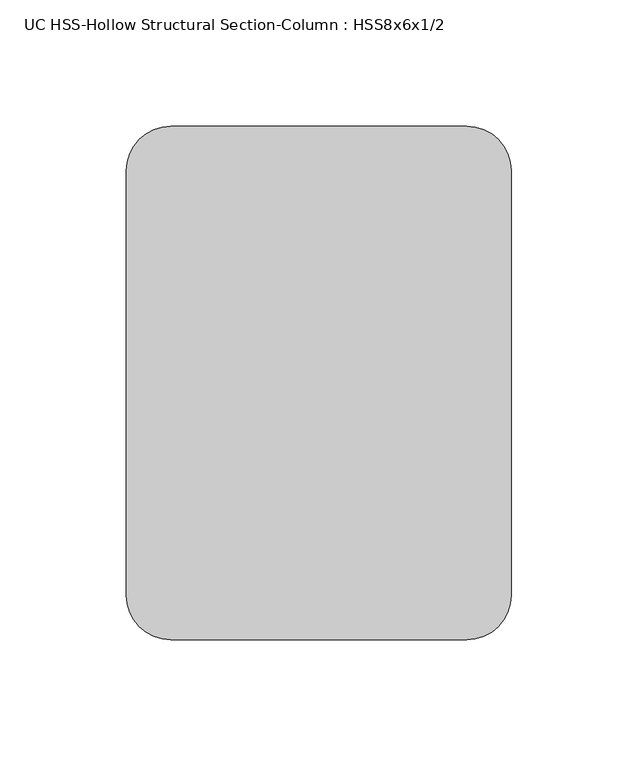
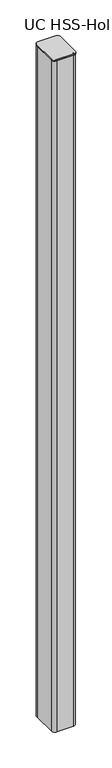
"""IFC4 building model written with IfcOpenShell, lengths in millimetres: column geometry, UC HSS-Hollow Structural Section-Column : HSS8x6x1/2."""

import ifcopenshell
import ifcopenshell.guid

model = None  # the IFC model being written
_history = None  # IfcOwnerHistory: only IFC2X3 demands one
_inside = {}  # id of a spatial element -> (the spatial element, [elements in it])
_under = {}  # id of a project, library or spatial element -> (it, [spatial elements below it])
_declared = {}  # id of a project -> (the project, [libraries it declares])
_typed = {}  # id of a type object -> (the type object, [elements of that type])
_made_of = {}  # id of a material, layer set ... -> (it, [elements and type objects made of it])


def new_model(schema):
    """Start an empty IFC model of exactly this schema.

    Asked for "IFC4X3", IfcOpenShell would pick the latest addendum, in which some entities
    have other attributes; the version numbers below select the first issue.
    IFC2X3 requires an IfcOwnerHistory on every rooted entity: one is made here for all.
    """
    global model, _history
    if schema == "IFC4X3":
        model = ifcopenshell.file(schema_version=(4, 3, 0, 0))
    else:
        model = ifcopenshell.file(schema=schema)
    _inside.clear()
    _under.clear()
    _declared.clear()
    _typed.clear()
    _made_of.clear()
    _history = None
    if model.schema == "IFC2X3":
        org = make("IfcOrganization", Name="unknown")
        user = make(
            "IfcPersonAndOrganization",
            ThePerson=make("IfcPerson", FamilyName="unknown"),
            TheOrganization=org,
        )
        app = make(
            "IfcApplication",
            ApplicationDeveloper=org,
            Version="unknown",
            ApplicationFullName="unknown",
            ApplicationIdentifier="unknown",
        )
        _history = make(
            "IfcOwnerHistory",
            OwningUser=user,
            OwningApplication=app,
            ChangeAction="ADDED",
            CreationDate=0,
        )
    return model


def make(cls, **values):
    """One entity of the class cls with the attributes given. An attribute that is None is left unset."""
    return model.create_entity(
        cls, **{name: value for name, value in values.items() if value is not None}
    )


def rooted(cls, **values):
    """An entity with a GlobalId (a new one), such as an element, a storey or a relation."""
    return make(cls, GlobalId=ifcopenshell.guid.new(), OwnerHistory=_history, **values)


def si_unit(unit_type, name, prefix=None):
    """IfcSIUnit, for example si_unit("LENGTHUNIT", "METRE", prefix="MILLI")."""
    return make("IfcSIUnit", UnitType=unit_type, Prefix=prefix, Name=name)


def assignment(units):
    """IfcUnitAssignment: the units of a project."""
    return None if units is None else make("IfcUnitAssignment", Units=units)


def point(xyz):
    """IfcCartesianPoint."""
    return None if xyz is None else make("IfcCartesianPoint", Coordinates=xyz)


def direction(xyz):
    """IfcDirection."""
    return None if xyz is None else make("IfcDirection", DirectionRatios=xyz)


def frame(location, z_axis=None, x_axis=None):
    """IfcAxis2Placement3D, a coordinate frame: its origin and axes. An axis left out is left unset."""
    return make(
        "IfcAxis2Placement3D",
        Location=point(location),
        Axis=direction(z_axis),
        RefDirection=direction(x_axis),
    )


def frame_2d(location, x_axis=None):
    """IfcAxis2Placement2D, a coordinate frame in the plane: its origin and x axis."""
    return make(
        "IfcAxis2Placement2D", Location=point(location), RefDirection=direction(x_axis)
    )


def origin():
    """The frame at (0, 0, 0) with its axes left unset."""
    return frame((0.0, 0.0, 0.0))


def place(relative_to, where):
    """IfcLocalPlacement: puts the frame where relative to a parent placement (None: the world)."""
    return make(
        "IfcLocalPlacement", PlacementRelTo=relative_to, RelativePlacement=where
    )


def context(
    kind, dimensions, precision=None, world=None, true_north=None, identifier=None
):
    """IfcGeometricRepresentationContext, for example the 3D "Model" context."""
    return make(
        "IfcGeometricRepresentationContext",
        ContextIdentifier=identifier,
        ContextType=kind,
        CoordinateSpaceDimension=dimensions,
        Precision=precision,
        WorldCoordinateSystem=world,
        TrueNorth=true_north,
    )


def project(units=None, contexts=None):
    """IfcProject with its units and contexts."""
    return rooted(
        "IfcProject",
        Name="project",
        RepresentationContexts=contexts,
        UnitsInContext=assignment(units),
    )


def spatial(cls, under=None, at=None, **own):
    """A site, building, storey or space (cls), placed at a placement, below another one or the project."""
    s = rooted(cls, ObjectPlacement=at, **own)
    if under is not None:
        _under.setdefault(under.id(), (under, []))[1].append(s)
    return s


def polyline(points):
    """IfcPolyline through the points."""
    return make("IfcPolyline", Points=[point(p) for p in points])


def circle_curve(where, radius):
    """IfcCircle in the frame where."""
    return make("IfcCircle", Position=where, Radius=radius)


def trimmed(basis, trim1, trim2, sense, master):
    """IfcTrimmedCurve: the piece of a basis curve between two trims."""
    return make(
        "IfcTrimmedCurve",
        BasisCurve=basis,
        Trim1=trim1,
        Trim2=trim2,
        SenseAgreement=sense,
        MasterRepresentation=master,
    )


def segment(curve, same_sense, transition):
    """IfcCompositeCurveSegment."""
    return make(
        "IfcCompositeCurveSegment",
        Transition=transition,
        SameSense=same_sense,
        ParentCurve=curve,
    )


def composite_curve(segments, self_intersect=None):
    """IfcCompositeCurve: segments joined end to end."""
    return make("IfcCompositeCurve", Segments=segments, SelfIntersect=self_intersect)


def outline(outer, holes=None, kind="AREA"):
    """IfcArbitraryClosedProfileDef: a profile drawn as a closed curve; with holes, ...WithVoids."""
    if holes is None:
        return make("IfcArbitraryClosedProfileDef", ProfileType=kind, OuterCurve=outer)
    return make(
        "IfcArbitraryProfileDefWithVoids",
        ProfileType=kind,
        OuterCurve=outer,
        InnerCurves=holes,
    )


def extrude(swept, where, along, depth):
    """IfcExtrudedAreaSolid: the profile swept, set in the frame where, extruded along a direction by depth."""
    return make(
        "IfcExtrudedAreaSolid",
        SweptArea=swept,
        Position=where,
        ExtrudedDirection=direction(along),
        Depth=depth,
    )


def shape(context_of_items, identifier, shape_type, items):
    """IfcShapeRepresentation: the items that make up one representation, for example the "Body"."""
    return make(
        "IfcShapeRepresentation",
        ContextOfItems=context_of_items,
        RepresentationIdentifier=identifier,
        RepresentationType=shape_type,
        Items=items,
    )


def source(mapping_origin, context_of_items, identifier, shape_type, items):
    """IfcRepresentationMap: a shape defined once, which mapped items show again and again."""
    return make(
        "IfcRepresentationMap",
        MappingOrigin=mapping_origin,
        MappedRepresentation=shape(context_of_items, identifier, shape_type, items),
    )


def transform(
    local_origin,
    x_axis=None,
    y_axis=None,
    z_axis=None,
    scale=None,
    scale2=None,
    scale3=None,
    uniform=True,
):
    """IfcCartesianTransformationOperator3D, or its non-uniform kind. x_axis, y_axis, z_axis: its Axis1, 2, 3."""
    if uniform:
        return make(
            "IfcCartesianTransformationOperator3D",
            Axis1=direction(x_axis),
            Axis2=direction(y_axis),
            LocalOrigin=point(local_origin),
            Scale=scale,
            Axis3=direction(z_axis),
        )
    return make(
        "IfcCartesianTransformationOperator3DnonUniform",
        Axis1=direction(x_axis),
        Axis2=direction(y_axis),
        LocalOrigin=point(local_origin),
        Scale=scale,
        Axis3=direction(z_axis),
        Scale2=scale2,
        Scale3=scale3,
    )


def mapped(mapping_source, mapping_target):
    """IfcMappedItem: shows the shape of a source again, moved by a transform."""
    return make(
        "IfcMappedItem", MappingSource=mapping_source, MappingTarget=mapping_target
    )


def made_of(thing, what):
    """Note that an element or type object is made of a material, layer set ...; save() writes the relation."""
    if what is not None:
        _made_of.setdefault(what.id(), (what, []))[1].append(thing)
    return thing


def element(
    cls,
    number,
    at=None,
    inside=None,
    cuts=None,
    type_object=None,
    material=None,
    context=None,
    identifier="Body",
    shape_type=None,
    held_by="IfcProductDefinitionShape",
    body=None,
    shapes=None,
    **own,
):
    """One element of the class cls, such as IfcWall. Its Tag is "e" and its number.

    at: its placement. inside: the storey or other place that contains it. cuts: it is an
    opening in that element (IfcRelVoidsElement). A single representation is given by context,
    identifier, shape_type and body (its items); several are given by shapes. held_by: the class
    of the entity that holds the representations. save() writes the other relations.
    """
    e = rooted(cls, Tag="e%d" % number, ObjectPlacement=at, **own)
    if body is not None:
        shapes = [shape(context, identifier, shape_type, body)]
    if shapes is not None:
        e.Representation = make(held_by, Representations=shapes)
    if inside is not None:
        _inside.setdefault(inside.id(), (inside, []))[1].append(e)
    if cuts is not None:
        rooted(
            "IfcRelVoidsElement", RelatingBuildingElement=cuts, RelatedOpeningElement=e
        )
    if type_object is not None:
        _typed.setdefault(type_object.id(), (type_object, []))[1].append(e)
    return made_of(e, material)


def aggregate(whole, parts):
    """IfcRelAggregates: a whole, such as a stair, and the parts it consists of."""
    return rooted("IfcRelAggregates", RelatingObject=whole, RelatedObjects=parts)


def save(model, path):
    """Write the relations noted so far, then the file.

    IfcRelAggregates (storeys below a building ...), IfcRelContainedInSpatialStructure (elements
    in a storey), IfcRelDefinesByType, IfcRelAssociatesMaterial and IfcRelDeclares: one each for
    every whole, place, type object, material and project.
    """
    for whole, parts in _under.values():
        aggregate(whole, parts)
    for where, things in _inside.values():
        rooted(
            "IfcRelContainedInSpatialStructure",
            RelatedElements=things,
            RelatingStructure=where,
        )
    for kind, things in _typed.values():
        rooted("IfcRelDefinesByType", RelatedObjects=things, RelatingType=kind)
    for what, things in _made_of.values():
        rooted("IfcRelAssociatesMaterial", RelatedObjects=things, RelatingMaterial=what)
    for by, libraries in _declared.values():
        rooted("IfcRelDeclares", RelatingContext=by, RelatedDefinitions=libraries)
    model.write(path)


def uc_hss_hollow_structural_section_column_hss8x6x1_2_407af98c(model_context):
    return source(origin(), model_context, "Body", "SweptSolid", [
        extrude(outline(composite_curve([segment(trimmed(circle_curve(frame_2d((-58.5390625, 83.9390625)), 17.6609375), [point((-76.2, 83.9390625))], [point((-58.5390625, 101.6))], False, "CARTESIAN"), True, "CONTINUOUS"), segment(polyline([(-58.5390625, 101.6), (58.5390625, 101.6)]), True, "CONTINUOUS"), segment(trimmed(circle_curve(frame_2d((58.5390625, 83.9390625)), 17.6609375), [point((58.5390625, 101.6))], [point((76.2, 83.9390625))], False, "CARTESIAN"), True, "CONTINUOUS"), segment(polyline([(76.2, 83.9390625), (76.2, -83.9390625)]), True, "CONTINUOUS"), segment(trimmed(circle_curve(frame_2d((58.5390625, -83.9390625)), 17.6609375), [point((76.2, -83.9390625))], [point((58.5390625, -101.6))], False, "CARTESIAN"), True, "CONTINUOUS"), segment(polyline([(58.5390625, -101.6), (-58.5390625, -101.6)]), True, "CONTINUOUS"), segment(trimmed(circle_curve(frame_2d((-58.5390625, -83.9390625)), 17.6609375), [point((-58.5390625, -101.6))], [point((-76.2, -83.9390625))], False, "CARTESIAN"), True, "CONTINUOUS"), segment(polyline([(-76.2, -83.9390625), (-76.2, 83.9390625)]), True, "CONTINUOUS")], self_intersect=False)), frame((0.0, 0.0, 43986.45), z_axis=(0.0, 0.0, 1.0), x_axis=(1.0, 0.0, 0.0)), (0.0, 0.0, 1.0), 6.35),
        extrude(outline(composite_curve([segment(trimmed(circle_curve(frame_2d((52.578, 77.978)), 23.622), [point((52.578, 101.6))], [point((76.2, 77.978))], False, "CARTESIAN"), True, "CONTINUOUS"), segment(polyline([(76.2, 77.978), (76.2, -77.978)]), True, "CONTINUOUS"), segment(trimmed(circle_curve(frame_2d((52.578, -77.978)), 23.622), [point((76.2, -77.978))], [point((52.578, -101.6))], False, "CARTESIAN"), True, "CONTINUOUS"), segment(polyline([(52.578, -101.6), (-52.578, -101.6)]), True, "CONTINUOUS"), segment(trimmed(circle_curve(frame_2d((-52.578, -77.978)), 23.622), [point((-52.578, -101.6))], [point((-76.2, -77.978))], False, "CARTESIAN"), True, "CONTINUOUS"), segment(polyline([(-76.2, -77.978), (-76.2, 77.978)]), True, "CONTINUOUS"), segment(trimmed(circle_curve(frame_2d((-52.578, 77.978)), 23.622), [point((-76.2, 77.978))], [point((-52.578, 101.6))], False, "CARTESIAN"), True, "CONTINUOUS"), segment(polyline([(-52.578, 101.6), (52.578, 101.6)]), True, "CONTINUOUS")], self_intersect=False), holes=[composite_curve([segment(polyline([(52.578, 89.789), (-52.578, 89.789)]), True, "CONTINUOUS"), segment(trimmed(circle_curve(frame_2d((-52.578, 77.978)), 11.811), [point((-52.578, 89.789))], [point((-64.389, 77.978))], True, "CARTESIAN"), True, "CONTINUOUS"), segment(polyline([(-64.389, 77.978), (-64.389, -77.978)]), True, "CONTINUOUS"), segment(trimmed(circle_curve(frame_2d((-52.578, -77.978)), 11.811), [point((-64.389, -77.978))], [point((-52.578, -89.789))], True, "CARTESIAN"), True, "CONTINUOUS"), segment(polyline([(-52.578, -89.789), (52.578, -89.789)]), True, "CONTINUOUS"), segment(trimmed(circle_curve(frame_2d((52.578, -77.978)), 11.811), [point((52.578, -89.789))], [point((64.389, -77.978))], True, "CARTESIAN"), True, "CONTINUOUS"), segment(polyline([(64.389, -77.978), (64.389, 77.978)]), True, "CONTINUOUS"), segment(trimmed(circle_curve(frame_2d((52.578, 77.978)), 11.811), [point((64.389, 77.978))], [point((52.578, 89.789))], True, "CARTESIAN"), True, "CONTINUOUS")], self_intersect=False)]), frame((0.0, 0.0, 39420.8), z_axis=(0.0, 0.0, 1.0), x_axis=(1.0, 0.0, 0.0)), (0.0, 0.0, 1.0), 4565.65),
    ])


if __name__ == "__main__":
    model = new_model("IFC4")
    model_context = context("Model", 3, world=origin())
    ifc_project = project(units=[si_unit("LENGTHUNIT", "METRE", prefix="MILLI")], contexts=[model_context])
    site = spatial("IfcSite", under=ifc_project)
    building = spatial("IfcBuilding", under=site)
    placement = place(None, origin())
    uc_hss_hollow_structural_section_column_hss8x6x1_2_shape = uc_hss_hollow_structural_section_column_hss8x6x1_2_407af98c(model_context)
    element("IfcColumn", 1, ObjectType="UC HSS-Hollow Structural Section-Column : HSS8x6x1/2", at=placement, inside=building, context=model_context, shape_type="MappedRepresentation", body=[
        mapped(uc_hss_hollow_structural_section_column_hss8x6x1_2_shape, transform((0.0, 0.0, 0.0), x_axis=(1.0, 0.0, 0.0), y_axis=(0.0, 1.0, 0.0), z_axis=(0.0, 0.0, 1.0))),
    ])
    save(model, "model.ifc")
